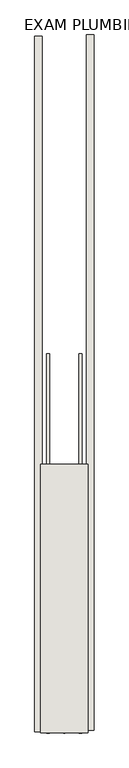
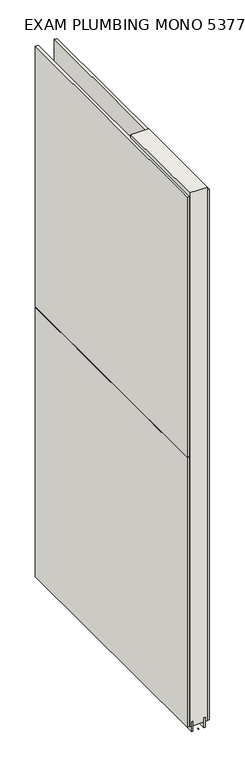
"""IFC4 building model written with IfcOpenShell, lengths in millimetres: wall geometry, EXAM PLUMBING MONO 537783 : EXAM PLUMBING MONO 537783."""

from ifc_helpers import new_model, si_unit, frame, origin, place, context, project, spatial, polyline, outline, extrude, source, transform, mapped, element, save


def exam_plumbing_mono_537783_exam_plumbing_mono_537783_c86d327d(model_context):
    return source(origin(), model_context, "Body", "SweptSolid", [
        extrude(outline(polyline([(44102.7108038, -50040.8698952), (44102.7108038, -50038.3298952), (44105.2508038, -50038.3298952), (44105.2508038, -50040.8698952), (44102.7108038, -50040.8698952)])), frame((0.0, 0.0, 4419.6), z_axis=(0.0, 0.0, 1.0), x_axis=(1.0, 0.0, 0.0)), (0.0, 0.0, 1.0), 2.54),
        extrude(outline(polyline([(44154.7808038, -48842.8926874), (44154.7808038, -50036.4051594), (44142.0808038, -50036.4051594), (44142.0808038, -48842.8926874), (44154.7808038, -48842.8926874)])), frame((0.0, 0.0, 4445.0), z_axis=(0.0, 0.0, 1.0), x_axis=(1.0, 0.0, 0.0)), (0.0, 0.0, 1.0), 2545.0498756),
        extrude(outline(polyline([(44053.1808038, -50038.8732266), (44053.1808038, -48845.3607546), (44065.8808038, -48845.3607546), (44065.8808038, -50038.8732266), (44053.1808038, -50038.8732266)])), frame((0.0, 0.0, 4445.0), z_axis=(0.0, 0.0, 1.0), x_axis=(1.0, 0.0, 0.0)), (0.0, 0.0, 1.0), 1293.400004),
        extrude(outline(polyline([(44053.1808038, -50038.8732266), (44053.1808038, -48845.3607546), (44065.8808038, -48845.3607546), (44065.8808038, -50038.8732266), (44053.1808038, -50038.8732266)])), frame((0.0, 0.0, 5742.4000722), z_axis=(0.0, 0.0, 1.0), x_axis=(1.0, 0.0, 0.0)), (0.0, 0.0, 1.0), 1247.649905),
        extrude(outline(polyline([(44129.070746, -50040.8711398), (44129.070746, -49389.4628414), (44134.1495014, -49389.4628414), (44134.1495014, -50040.8711398), (44129.070746, -50040.8711398)])), frame((0.0, 0.0, 4418.6602), z_axis=(0.0, 0.0, 1.0), x_axis=(1.0, 0.0, 0.0)), (0.0, 0.0, 1.0), 47.625),
        extrude(outline(polyline([(44129.070746, -50040.8711398), (44129.070746, -49389.4628414), (44134.1495014, -49389.4628414), (44134.1495014, -50040.8711398), (44129.070746, -50040.8711398)])), frame((0.0, 0.0, 4418.6602), z_axis=(0.0, 0.0, 1.0), x_axis=(1.0, 0.0, 0.0)), (0.0, 0.0, 1.0), 47.625),
        extrude(outline(polyline([(44078.906381, -49389.4628414), (44078.906381, -50040.8711398), (44073.8245014, -50040.8711398), (44073.8245014, -49389.4628414), (44078.906381, -49389.4628414)])), frame((0.0, 0.0, 4418.6602), z_axis=(0.0, 0.0, 1.0), x_axis=(1.0, 0.0, 0.0)), (0.0, 0.0, 1.0), 47.625),
        extrude(outline(polyline([(44078.906381, -49389.4628414), (44078.906381, -50040.8711398), (44073.8245014, -50040.8711398), (44073.8245014, -49389.4628414), (44078.906381, -49389.4628414)])), frame((0.0, 0.0, 4418.6602), z_axis=(0.0, 0.0, 1.0), x_axis=(1.0, 0.0, 0.0)), (0.0, 0.0, 1.0), 47.625),
        extrude(outline(polyline([(44144.6170954, -50040.8711398), (44063.3352412, -50040.8711398), (44063.3352412, -49579.9628414), (44144.6170954, -49579.9628414), (44144.6170954, -50040.8711398)])), frame((0.0, 0.0, 4445.0), z_axis=(0.0, 0.0, 1.0), x_axis=(1.0, 0.0, 0.0)), (0.0, 0.0, 1.0), 2562.4536762),
    ])


if __name__ == "__main__":
    model = new_model("IFC4")
    model_context = context("Model", 3, world=origin())
    ifc_project = project(units=[si_unit("LENGTHUNIT", "METRE", prefix="MILLI")], contexts=[model_context])
    site = spatial("IfcSite", under=ifc_project)
    building = spatial("IfcBuilding", under=site)
    placement = place(None, origin())
    exam_plumbing_mono_537783_exam_plumbing_mono_537783_shape = exam_plumbing_mono_537783_exam_plumbing_mono_537783_c86d327d(model_context)
    element("IfcWall", 1, ObjectType="EXAM PLUMBING MONO 537783 : EXAM PLUMBING MONO 537783", at=placement, inside=building, context=model_context, shape_type="MappedRepresentation", body=[
        mapped(exam_plumbing_mono_537783_exam_plumbing_mono_537783_shape, transform((0.0, 0.0, 0.0), x_axis=(1.0, 0.0, 0.0), y_axis=(0.0, 1.0, 0.0), z_axis=(0.0, 0.0, 1.0))),
    ])
    save(model, "model.ifc")
